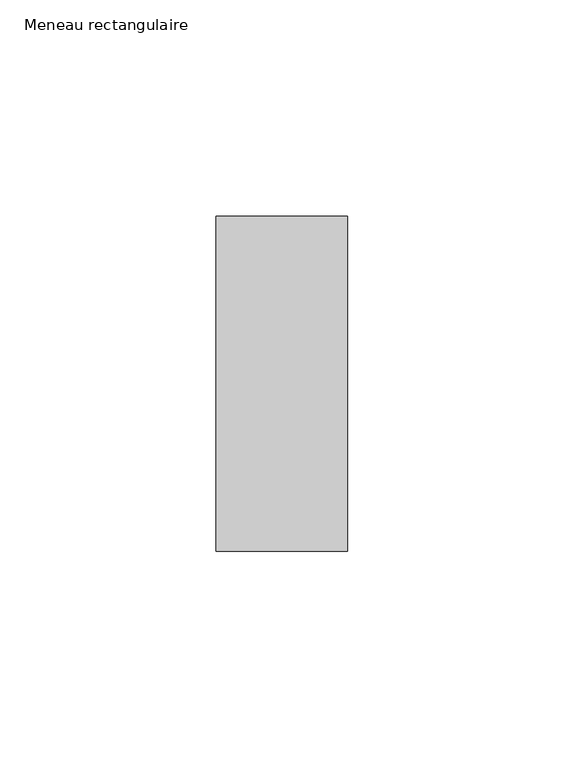
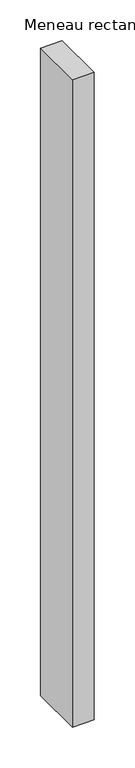
"""IFC4 building model written with IfcOpenShell, lengths in millimetres: member geometry, Meneau rectangulaire."""

from ifc_helpers import new_model, si_unit, frame, origin, place, context, project, spatial, polyline, outline, extrude, source, transform, mapped, element, save


def meneau_rectangulaire_1f9746c8(model_context):
    return source(origin(), model_context, "Body", "SweptSolid", [
        extrude(outline(polyline([(-15.25, 38.75), (15.25, 38.75), (15.25, -38.75), (-15.25, -38.75), (-15.25, 38.75)])), frame((0.0, 0.0, -967.0), z_axis=(0.0, 0.0, 1.0), x_axis=(1.0, 0.0, 0.0)), (0.0, 0.0, 1.0), 967.0),
    ])


if __name__ == "__main__":
    model = new_model("IFC4")
    model_context = context("Model", 3, world=origin())
    ifc_project = project(units=[si_unit("LENGTHUNIT", "METRE", prefix="MILLI")], contexts=[model_context])
    site = spatial("IfcSite", under=ifc_project)
    building = spatial("IfcBuilding", under=site)
    placement = place(None, origin())
    meneau_rectangulaire_shape = meneau_rectangulaire_1f9746c8(model_context)
    element("IfcMember", 1, ObjectType="Meneau rectangulaire", at=placement, inside=building, context=model_context, shape_type="MappedRepresentation", body=[
        mapped(meneau_rectangulaire_shape, transform((0.0, 0.0, 0.0), x_axis=(1.0, 0.0, 0.0), y_axis=(0.0, 1.0, 0.0), z_axis=(0.0, 0.0, 1.0))),
    ])
    save(model, "model.ifc")
